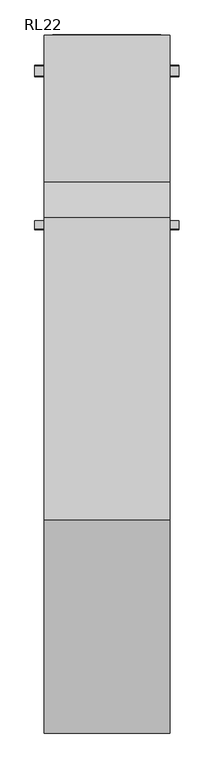
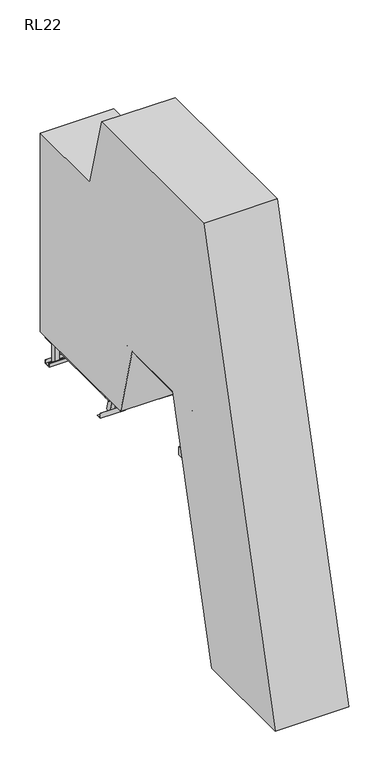
"""IFC4 building model written with IfcOpenShell, lengths in millimetres: proxy geometry, RL22."""

from ifc_helpers import new_model, si_unit, point, frame, frame_2d, origin, place, context, project, spatial, polyline, circle_curve, trimmed, segment, composite_curve, outline, extrude, faceted_brep, source, transform, mapped, element, save


def rl22_656d9d40(model_context):
    return source(origin(), model_context, "Body", "SolidModel", [
        extrude(outline(polyline([(250.0, 1222.8694762), (250.0, 1204.8694762), (-250.0, 1204.8694762), (-250.0, 1222.8694762), (250.0, 1222.8694762)])), frame((0.0, 0.0, 1656.5), z_axis=(0.0, 0.0, 1.0), x_axis=(1.0, 0.0, 0.0)), (0.0, 0.0, 1.0), 18.5),
        extrude(outline(polyline([(300.5, 1409.1194762), (300.5, 1390.6194762), (-300.5, 1390.6194762), (-300.5, 1409.1194762), (300.5, 1409.1194762)])), frame((0.0, 0.0, 1656.5), z_axis=(0.0, 0.0, 1.0), x_axis=(1.0, 0.0, 0.0)), (0.0, 0.0, 1.0), 18.5),
        extrude(outline(polyline([(250.0, 1390.6194762), (250.0, 1222.8694762), (-250.0, 1222.8694762), (-250.0, 1390.6194762), (250.0, 1390.6194762)])), frame((0.0, 0.0, 1656.5), z_axis=(0.0, 0.0, 1.0), x_axis=(1.0, 0.0, 0.0)), (0.0, 0.0, 1.0), 18.5),
        extrude(outline(polyline([(-262.5, 1278.0196058), (-300.5, 1278.0196058), (-300.5, 2309.8694762), (-262.5, 2309.8694762), (-262.5, 1278.0196058)])), frame((0.0, 0.0, 1598.5), z_axis=(0.0, 0.0, 1.0), x_axis=(1.0, 0.0, 0.0)), (0.0, 0.0, 1.0), 58.0),
        extrude(outline(polyline([(300.5, 1278.0196058), (262.5, 1278.0196058), (262.5, 2309.8694762), (300.5, 2309.8694762), (300.5, 1278.0196058)])), frame((0.0, 0.0, 1598.5), z_axis=(0.0, 0.0, 1.0), x_axis=(1.0, 0.0, 0.0)), (0.0, 0.0, 1.0), 58.0),
        extrude(outline(polyline([(338.5, 2138.8694762), (338.5, 2080.8694762), (300.5, 2080.8694762), (300.5, 2138.8694762), (338.5, 2138.8694762)])), frame((0.0, 0.0, 1478.0), z_axis=(0.0, 0.0, 1.0), x_axis=(1.0, 0.0, 0.0)), (0.0, 0.0, 1.0), 190.0),
        extrude(outline(polyline([(-300.5, 2138.8694762), (-300.5, 2080.8694762), (-338.5, 2080.8694762), (-338.5, 2138.8694762), (-300.5, 2138.8694762)])), frame((0.0, 0.0, 1478.0), z_axis=(0.0, 0.0, 1.0), x_axis=(1.0, 0.0, 0.0)), (0.0, 0.0, 1.0), 190.0),
        extrude(outline(polyline([(300.5, 2309.8694762), (300.5, 2291.3694762), (-300.5, 2291.3694762), (-300.5, 2309.8694762), (300.5, 2309.8694762)])), frame((0.0, 0.0, 1656.5), z_axis=(0.0, 0.0, 1.0), x_axis=(1.0, 0.0, 0.0)), (0.0, 0.0, 1.0), 18.5),
        extrude(outline(polyline([(2139.3694762, 1513.0), (2142.3694762, 1513.0), (2142.3694762, 1475.0), (2077.3694762, 1475.0), (2077.3694762, 1513.0), (2080.3694762, 1513.0), (2080.3694762, 1478.0), (2139.3694762, 1478.0), (2139.3694762, 1513.0)])), frame((-400.5, 0.0, 0.0), z_axis=(1.0, 0.0, 0.0), x_axis=(0.0, 1.0, 0.0)), (0.0, 0.0, 1.0), 801.0),
        extrude(outline(polyline([(300.5, 2290.8694762), (300.5, 1409.1194762), (-300.5, 1409.1194762), (-300.5, 2290.8694762), (300.5, 2290.8694762)])), frame((0.0, 0.0, 1656.5), z_axis=(0.0, 0.0, 1.0), x_axis=(1.0, 0.0, 0.0)), (0.0, 0.0, 1.0), 18.5),
        extrude(outline(composite_curve([segment(trimmed(circle_curve(frame_2d((1307.0731956, 1608.5)), 6.0), [point((1313.0731956, 1608.5))], [point((1307.0731956, 1602.5))], False, "CARTESIAN"), True, "CONTINUOUS"), segment(polyline([(1307.0731956, 1602.5), (1258.0196058, 1602.5)]), True, "CONTINUOUS"), segment(trimmed(circle_curve(frame_2d((1258.0196058, 1627.5)), 25.0), [point((1258.0196058, 1602.5))], [point((1258.0196058, 1652.5))], False, "CARTESIAN"), True, "CONTINUOUS"), segment(polyline([(1258.0196058, 1652.5), (1307.0731956, 1652.5)]), True, "CONTINUOUS"), segment(trimmed(circle_curve(frame_2d((1307.0731956, 1646.5)), 6.0), [point((1307.0731956, 1652.5))], [point((1313.0731956, 1646.5))], False, "CARTESIAN"), True, "CONTINUOUS"), segment(polyline([(1313.0731956, 1646.5), (1313.0731956, 1608.5)]), True, "CONTINUOUS")], self_intersect=False)), frame((-306.5, 0.0, 0.0), z_axis=(1.0, 0.0, 0.0), x_axis=(0.0, 1.0, 0.0)), (0.0, 0.0, 1.0), 6.0),
        extrude(outline(composite_curve([segment(trimmed(circle_curve(frame_2d((1307.0731956, 1608.5)), 6.0), [point((1313.0731956, 1608.5))], [point((1307.0731956, 1602.5))], False, "CARTESIAN"), True, "CONTINUOUS"), segment(polyline([(1307.0731956, 1602.5), (1258.0196058, 1602.5)]), True, "CONTINUOUS"), segment(trimmed(circle_curve(frame_2d((1258.0196058, 1627.5)), 25.0), [point((1258.0196058, 1602.5))], [point((1258.0196058, 1652.5))], False, "CARTESIAN"), True, "CONTINUOUS"), segment(polyline([(1258.0196058, 1652.5), (1307.0731956, 1652.5)]), True, "CONTINUOUS"), segment(trimmed(circle_curve(frame_2d((1307.0731956, 1646.5)), 6.0), [point((1307.0731956, 1652.5))], [point((1313.0731956, 1646.5))], False, "CARTESIAN"), True, "CONTINUOUS"), segment(polyline([(1313.0731956, 1646.5), (1313.0731956, 1608.5)]), True, "CONTINUOUS")], self_intersect=False)), frame((300.5, 0.0, 0.0), z_axis=(1.0, 0.0, 0.0), x_axis=(0.0, 1.0, 0.0)), (0.0, 0.0, 1.0), 6.0),
        extrude(outline(polyline([(262.5, 1452.8694762), (262.5, 1394.8694762), (-262.5, 1394.8694762), (-262.5, 1452.8694762), (262.5, 1452.8694762)])), frame((0.0, 0.0, 1618.5), z_axis=(0.0, 0.0, 1.0), x_axis=(1.0, 0.0, 0.0)), (0.0, 0.0, 1.0), 38.0),
        extrude(outline(polyline([(262.5, 1876.8694762), (262.5, 1818.8694762), (-262.5, 1818.8694762), (-262.5, 1876.8694762), (262.5, 1876.8694762)])), frame((0.0, 0.0, 1618.5), z_axis=(0.0, 0.0, 1.0), x_axis=(1.0, 0.0, 0.0)), (0.0, 0.0, 1.0), 38.0),
        extrude(outline(polyline([(262.5, 2299.8694762), (262.5, 2241.8694762), (-262.5, 2241.8694762), (-262.5, 2299.8694762), (262.5, 2299.8694762)])), frame((0.0, 0.0, 1618.5), z_axis=(0.0, 0.0, 1.0), x_axis=(1.0, 0.0, 0.0)), (0.0, 0.0, 1.0), 38.0),
        extrude(outline(composite_curve([segment(polyline([(1126.2592911, 2120.3105291), (1082.792629, 2108.6636721), (1078.3927052, 2125.0844112)]), True, "CONTINUOUS"), segment(trimmed(circle_curve(frame_2d((1103.4832179, 2118.3786672)), 25.9711538), [point((1078.3927052, 2125.0844112))], [point((1121.8593674, 2136.7312682))], False, "CARTESIAN"), True, "CONTINUOUS"), segment(polyline([(1121.8593674, 2136.7312682), (1126.2592911, 2120.3105291)]), True, "CONTINUOUS")], self_intersect=False)), frame((-262.5, 0.0, 0.0), z_axis=(1.0, 0.0, 0.0), x_axis=(0.0, 1.0, 0.0)), (0.0, 0.0, 1.0), 525.0),
        extrude(outline(composite_curve([segment(polyline([(1194.9976706, 1863.7754046), (1151.5310084, 1852.1285475), (1147.1310847, 1868.5492866)]), True, "CONTINUOUS"), segment(trimmed(circle_curve(frame_2d((1172.2215974, 1861.8435426)), 25.9711538), [point((1147.1310847, 1868.5492866))], [point((1190.5977468, 1880.1961436))], False, "CARTESIAN"), True, "CONTINUOUS"), segment(polyline([(1190.5977468, 1880.1961436), (1194.9976706, 1863.7754046)]), True, "CONTINUOUS")], self_intersect=False)), frame((-262.5, 0.0, 0.0), z_axis=(1.0, 0.0, 0.0), x_axis=(0.0, 1.0, 0.0)), (0.0, 0.0, 1.0), 525.0),
        extrude(outline(composite_curve([segment(polyline([(1057.5209117, 2376.8456537), (1014.0542495, 2365.1987967), (1009.6543257, 2381.6195357)]), True, "CONTINUOUS"), segment(trimmed(circle_curve(frame_2d((1034.7448385, 2374.9137918)), 25.9711538), [point((1009.6543257, 2381.6195357))], [point((1053.1209879, 2393.2663928))], False, "CARTESIAN"), True, "CONTINUOUS"), segment(polyline([(1053.1209879, 2393.2663928), (1057.5209117, 2376.8456537)]), True, "CONTINUOUS")], self_intersect=False)), frame((-262.5, 0.0, 0.0), z_axis=(1.0, 0.0, 0.0), x_axis=(0.0, 1.0, 0.0)), (0.0, 0.0, 1.0), 525.0),
        extrude(outline(composite_curve([segment(polyline([(1263.7360501, 1607.24028), (1220.2693879, 1595.5934229), (1215.8694641, 1612.014162)]), True, "CONTINUOUS"), segment(trimmed(circle_curve(frame_2d((1240.9599769, 1605.308418)), 25.9711538), [point((1215.8694641, 1612.014162))], [point((1259.3361263, 1623.661019))], False, "CARTESIAN"), True, "CONTINUOUS"), segment(polyline([(1259.3361263, 1623.661019), (1263.7360501, 1607.24028)]), True, "CONTINUOUS")], self_intersect=False)), frame((-262.5, 0.0, 0.0), z_axis=(1.0, 0.0, 0.0), x_axis=(0.0, 1.0, 0.0)), (0.0, 0.0, 1.0), 525.0),
        extrude(outline(polyline([(-38.0, 0.0), (0.0, 0.0), (0.0, -58.0), (-38.0, -58.0), (-38.0, 0.0)])), frame((-262.5, 1301.0728533, 1493.0115046), z_axis=(0.0, -0.2588190451025236, 0.9659258262890675), x_axis=(1.0, 0.0, 0.0)), (0.0, 0.0, 1.0), 1996.7541118),
        extrude(outline(polyline([(-38.0, 0.0), (0.0, 0.0), (0.0, -58.0), (-38.0, -58.0), (-38.0, 0.0)])), frame((300.5, 1301.0728533, 1493.0115046), z_axis=(0.0, -0.2588190451025236, 0.9659258262890675), x_axis=(1.0, 0.0, 0.0)), (0.0, 0.0, 1.0), 1996.7541118),
        extrude(outline(composite_curve([segment(polyline([(962.4694194, 2333.8687928), (962.4694194, 2371.8687928)]), True, "CONTINUOUS"), segment(trimmed(circle_curve(frame_2d((968.4694194, 2371.8687928)), 6.0), [point((962.4694194, 2371.8687928))], [point((968.4694194, 2377.8687928))], False, "CARTESIAN"), True, "CONTINUOUS"), segment(polyline([(968.4694194, 2377.8687928), (1017.5230092, 2377.8687928)]), True, "CONTINUOUS"), segment(trimmed(circle_curve(frame_2d((1017.5230092, 2352.8687928)), 25.0), [point((1017.5230092, 2377.8687928))], [point((1017.5230092, 2327.8687928))], False, "CARTESIAN"), True, "CONTINUOUS"), segment(polyline([(1017.5230092, 2327.8687928), (968.4694194, 2327.8687928)]), True, "CONTINUOUS"), segment(trimmed(circle_curve(frame_2d((968.4694194, 2333.8687928)), 6.0), [point((968.4694194, 2327.8687928))], [point((962.4694194, 2333.8687928))], False, "CARTESIAN"), True, "CONTINUOUS")], self_intersect=False)), frame((-306.0, 0.0, 0.0), z_axis=(1.0, 0.0, 0.0), x_axis=(0.0, 1.0, 0.0)), (0.0, 0.0, 1.0), 6.0),
        extrude(outline(composite_curve([segment(trimmed(circle_curve(frame_2d((968.4694194, 2371.8687928)), 6.0), [point((962.4694194, 2371.8687928))], [point((968.4694194, 2377.8687928))], False, "CARTESIAN"), True, "CONTINUOUS"), segment(polyline([(968.4694194, 2377.8687928), (1017.5230092, 2377.8687928)]), True, "CONTINUOUS"), segment(trimmed(circle_curve(frame_2d((1017.5230092, 2352.8687928)), 25.0), [point((1017.5230092, 2377.8687928))], [point((1017.5230092, 2327.8687928))], False, "CARTESIAN"), True, "CONTINUOUS"), segment(polyline([(1017.5230092, 2327.8687928), (968.4694194, 2327.8687928)]), True, "CONTINUOUS"), segment(trimmed(circle_curve(frame_2d((968.4694194, 2333.8687928)), 6.0), [point((968.4694194, 2327.8687928))], [point((962.4694194, 2333.8687928))], False, "CARTESIAN"), True, "CONTINUOUS"), segment(polyline([(962.4694194, 2333.8687928), (962.4694194, 2371.8687928)]), True, "CONTINUOUS")], self_intersect=False)), frame((300.0, 0.0, 0.0), z_axis=(1.0, 0.0, 0.0), x_axis=(0.0, 1.0, 0.0)), (0.0, 0.0, 1.0), 6.0),
        extrude(outline(composite_curve([segment(trimmed(circle_curve(frame_2d((-102.0, 2352.8687928)), 25.0), [point((-102.0, 2327.8687928))], [point((-102.0, 2377.8687928))], False, "CARTESIAN"), True, "CONTINUOUS"), segment(polyline([(-102.0, 2377.8687928), (-52.9464102, 2377.8687928)]), True, "CONTINUOUS"), segment(trimmed(circle_curve(frame_2d((-52.9464102, 2371.8687928)), 6.0), [point((-52.9464102, 2377.8687928))], [point((-46.9464102, 2371.8687928))], False, "CARTESIAN"), True, "CONTINUOUS"), segment(polyline([(-46.9464102, 2371.8687928), (-46.9464102, 2333.8687928)]), True, "CONTINUOUS"), segment(trimmed(circle_curve(frame_2d((-52.9464102, 2333.8687928)), 6.0), [point((-46.9464102, 2333.8687928))], [point((-52.9464102, 2327.8687928))], False, "CARTESIAN"), True, "CONTINUOUS"), segment(polyline([(-52.9464102, 2327.8687928), (-102.0, 2327.8687928)]), True, "CONTINUOUS")], self_intersect=False)), frame((-306.0, 0.0, 0.0), z_axis=(1.0, 0.0, 0.0), x_axis=(0.0, 1.0, 0.0)), (0.0, 0.0, 1.0), 6.0),
        extrude(outline(composite_curve([segment(trimmed(circle_curve(frame_2d((-102.0, 2352.8687928)), 25.0), [point((-102.0, 2327.8687928))], [point((-102.0, 2377.8687928))], False, "CARTESIAN"), True, "CONTINUOUS"), segment(polyline([(-102.0, 2377.8687928), (-52.9464102, 2377.8687928)]), True, "CONTINUOUS"), segment(trimmed(circle_curve(frame_2d((-52.9464102, 2371.8687928)), 6.0), [point((-52.9464102, 2377.8687928))], [point((-46.9464102, 2371.8687928))], False, "CARTESIAN"), True, "CONTINUOUS"), segment(polyline([(-46.9464102, 2371.8687928), (-46.9464102, 2333.8687928)]), True, "CONTINUOUS"), segment(trimmed(circle_curve(frame_2d((-52.9464102, 2333.8687928)), 6.0), [point((-46.9464102, 2333.8687928))], [point((-52.9464102, 2327.8687928))], False, "CARTESIAN"), True, "CONTINUOUS"), segment(polyline([(-52.9464102, 2327.8687928), (-102.0, 2327.8687928)]), True, "CONTINUOUS")], self_intersect=False)), frame((300.0, 0.0, 0.0), z_axis=(1.0, 0.0, 0.0), x_axis=(0.0, 1.0, 0.0)), (0.0, 0.0, 1.0), 6.0),
        extrude(outline(polyline([(-300.0, -52.0), (-300.0, -33.6), (300.0, -33.6), (300.0, -52.0), (-300.0, -52.0)])), frame((0.0, 0.0, 2381.5), z_axis=(0.0, 0.0, 1.0), x_axis=(1.0, 0.0, 0.0)), (0.0, 0.0, 1.0), 18.5),
        extrude(outline(polyline([(-300.0, 904.1290032), (-300.0, 922.5290032), (300.0, 922.5290032), (300.0, 904.1290032), (-300.0, 904.1290032)])), frame((0.0, 0.0, 2381.5), z_axis=(0.0, 0.0, 1.0), x_axis=(1.0, 0.0, 0.0)), (0.0, 0.0, 1.0), 18.5),
        extrude(outline(polyline([(1279.4555434, 1478.0), (1279.4555434, 1475.0), (1229.4555434, 1475.0), (1229.4555434, 1525.0), (1232.4555434, 1525.0), (1232.4555434, 1478.0), (1279.4555434, 1478.0)])), frame((-400.5, 0.0, 0.0), z_axis=(1.0, 0.0, 0.0), x_axis=(0.0, 1.0, 0.0)), (0.0, 0.0, 1.0), 238.0),
        extrude(outline(polyline([(1279.4555434, 1478.0), (1279.4555434, 1475.0), (1229.4555434, 1475.0), (1229.4555434, 1525.0), (1232.4555434, 1525.0), (1232.4555434, 1478.0), (1279.4555434, 1478.0)])), frame((162.5, 0.0, 0.0), z_axis=(1.0, 0.0, 0.0), x_axis=(0.0, 1.0, 0.0)), (0.0, 0.0, 1.0), 238.0),
        extrude(outline(polyline([(865.9025997, 2892.9942094), (865.9025997, 2835.9942094), (34.8242963, 2835.9942094), (50.0974003, 2892.9942094), (865.9025997, 2892.9942094)])), frame((262.0, 0.0, 0.0), z_axis=(1.0, 0.0, 0.0), x_axis=(0.0, 1.0, 0.0)), (0.0, 0.0, 1.0), 38.0),
        extrude(outline(polyline([(730.0508076, 3400.0), (730.0508076, 3343.0), (170.6760885, 3343.0), (185.9491924, 3400.0), (730.0508076, 3400.0)])), frame((262.0, 0.0, 0.0), z_axis=(1.0, 0.0, 0.0), x_axis=(0.0, 1.0, 0.0)), (0.0, 0.0, 1.0), 38.0),
        extrude(outline(polyline([(730.0508076, 3400.0), (730.0508076, 3343.0), (170.6760885, 3343.0), (185.9491924, 3400.0), (730.0508076, 3400.0)])), frame((-300.0, 0.0, 0.0), z_axis=(1.0, 0.0, 0.0), x_axis=(0.0, 1.0, 0.0)), (0.0, 0.0, 1.0), 38.0),
        extrude(outline(polyline([(865.9025997, 2892.9942094), (865.9025997, 2835.9942094), (34.8242963, 2835.9942094), (50.0974003, 2892.9942094), (865.9025997, 2892.9942094)])), frame((-300.0, 0.0, 0.0), z_axis=(1.0, 0.0, 0.0), x_axis=(0.0, 1.0, 0.0)), (0.0, 0.0, 1.0), 38.0),
        extrude(outline(polyline([(-300.0, 904.1290032), (300.0, 904.1290032), (300.0, -33.6), (-300.0, -33.6), (-300.0, 904.1290032)])), frame((0.0, 0.0, 2381.5), z_axis=(0.0, 0.0, 1.0), x_axis=(1.0, 0.0, 0.0)), (0.0, 0.0, 1.0), 18.5),
        extrude(outline(polyline([(262.0, 997.5230092), (300.0, 997.5230092), (300.0, -82.0), (-300.0, -82.0), (-300.0, 997.5230092), (-262.0, 997.5230092), (-262.0, -44.0), (262.0, -44.0), (262.0, 997.5230092)])), frame((0.0, 0.0, 2324.2375855), z_axis=(0.0, 0.0, 1.0), x_axis=(1.0, 0.0, 0.0)), (0.0, 0.0, 1.0), 57.2624145),
        extrude(outline(polyline([(-262.0, 851.7615046), (-262.0, 909.7615046), (262.0, 909.7615046), (262.0, 851.7615046), (-262.0, 851.7615046)])), frame((0.0, 0.0, 2343.5), z_axis=(0.0, 0.0, 1.0), x_axis=(1.0, 0.0, 0.0)), (0.0, 0.0, 1.0), 38.0),
        extrude(outline(polyline([(-262.0, 428.7615046), (-262.0, 486.7615046), (262.0, 486.7615046), (262.0, 428.7615046), (-262.0, 428.7615046)])), frame((0.0, 0.0, 2343.5), z_axis=(0.0, 0.0, 1.0), x_axis=(1.0, 0.0, 0.0)), (0.0, 0.0, 1.0), 38.0),
        extrude(outline(composite_curve([segment(polyline([(-217.1779271, 2096.269982), (-212.7780033, 2112.6907211)]), True, "CONTINUOUS"), segment(trimmed(circle_curve(frame_2d((-194.4018539, 2094.33812)), 25.9711538), [point((-212.7780033, 2112.6907211))], [point((-169.3113411, 2101.043864))], False, "CARTESIAN"), True, "CONTINUOUS"), segment(polyline([(-169.3113411, 2101.043864), (-173.7112649, 2084.623125), (-217.1779271, 2096.269982)]), True, "CONTINUOUS")], self_intersect=False)), frame((-262.0, 0.0, 0.0), z_axis=(1.0, 0.0, 0.0), x_axis=(0.0, 1.0, 0.0)), (0.0, 0.0, 1.0), 524.0),
        extrude(outline(composite_curve([segment(polyline([(-292.3579518, 1815.6943103), (-287.958028, 1832.1150493)]), True, "CONTINUOUS"), segment(trimmed(circle_curve(frame_2d((-269.5818785, 1813.7624483)), 25.9711538), [point((-287.958028, 1832.1150493))], [point((-244.4913658, 1820.4681923))], False, "CARTESIAN"), True, "CONTINUOUS"), segment(polyline([(-244.4913658, 1820.4681923), (-248.8912896, 1804.0474533), (-292.3579518, 1815.6943103)]), True, "CONTINUOUS")], self_intersect=False)), frame((-262.0, 0.0, 0.0), z_axis=(1.0, 0.0, 0.0), x_axis=(0.0, 1.0, 0.0)), (0.0, 0.0, 1.0), 524.0),
        extrude(outline(composite_curve([segment(polyline([(-367.5379764, 1535.1186386), (-363.1380526, 1551.5393776)]), True, "CONTINUOUS"), segment(trimmed(circle_curve(frame_2d((-344.7619032, 1533.1867766)), 25.9711538), [point((-363.1380526, 1551.5393776))], [point((-319.6713905, 1539.8925206))], False, "CARTESIAN"), True, "CONTINUOUS"), segment(polyline([(-319.6713905, 1539.8925206), (-324.0713142, 1523.4717815), (-367.5379764, 1535.1186386)]), True, "CONTINUOUS")], self_intersect=False)), frame((-262.0, 0.0, 0.0), z_axis=(1.0, 0.0, 0.0), x_axis=(0.0, 1.0, 0.0)), (0.0, 0.0, 1.0), 524.0),
        extrude(outline(composite_curve([segment(polyline([(-442.7180011, 1254.5429669), (-438.3180773, 1270.9637059)]), True, "CONTINUOUS"), segment(trimmed(circle_curve(frame_2d((-419.9419278, 1252.6111049)), 25.9711538), [point((-438.3180773, 1270.9637059))], [point((-394.8514151, 1259.3168489))], False, "CARTESIAN"), True, "CONTINUOUS"), segment(polyline([(-394.8514151, 1259.3168489), (-399.2513389, 1242.8961098), (-442.7180011, 1254.5429669)]), True, "CONTINUOUS")], self_intersect=False)), frame((-262.0, 0.0, 0.0), z_axis=(1.0, 0.0, 0.0), x_axis=(0.0, 1.0, 0.0)), (0.0, 0.0, 1.0), 524.0),
        extrude(outline(composite_curve([segment(polyline([(-517.8980257, 973.9672951), (-513.4981019, 990.3880342)]), True, "CONTINUOUS"), segment(trimmed(circle_curve(frame_2d((-495.1219525, 972.0354332)), 25.9711538), [point((-513.4981019, 990.3880342))], [point((-470.0314398, 978.7411772))], False, "CARTESIAN"), True, "CONTINUOUS"), segment(polyline([(-470.0314398, 978.7411772), (-474.4313635, 962.3204381), (-517.8980257, 973.9672951)]), True, "CONTINUOUS")], self_intersect=False)), frame((-262.0, 0.0, 0.0), z_axis=(1.0, 0.0, 0.0), x_axis=(0.0, 1.0, 0.0)), (0.0, 0.0, 1.0), 524.0),
        extrude(outline(composite_curve([segment(polyline([(-593.0780504, 693.3916234), (-588.6781266, 709.8123625)]), True, "CONTINUOUS"), segment(trimmed(circle_curve(frame_2d((-570.3019772, 691.4597614)), 25.9711538), [point((-588.6781266, 709.8123625))], [point((-545.2114644, 698.1655054))], False, "CARTESIAN"), True, "CONTINUOUS"), segment(polyline([(-545.2114644, 698.1655054), (-549.6113882, 681.7447664), (-593.0780504, 693.3916234)]), True, "CONTINUOUS")], self_intersect=False)), frame((-262.0, 0.0, 0.0), z_axis=(1.0, 0.0, 0.0), x_axis=(0.0, 1.0, 0.0)), (0.0, 0.0, 1.0), 524.0),
        extrude(outline(composite_curve([segment(polyline([(-668.258075, 412.8159517), (-663.8581512, 429.2366907)]), True, "CONTINUOUS"), segment(trimmed(circle_curve(frame_2d((-645.4820018, 410.8840897)), 25.9711538), [point((-663.8581512, 429.2366907))], [point((-620.3914891, 417.5898337))], False, "CARTESIAN"), True, "CONTINUOUS"), segment(polyline([(-620.3914891, 417.5898337), (-624.7914128, 401.1690947), (-668.258075, 412.8159517)]), True, "CONTINUOUS")], self_intersect=False)), frame((-262.0, 0.0, 0.0), z_axis=(1.0, 0.0, 0.0), x_axis=(0.0, 1.0, 0.0)), (0.0, 0.0, 1.0), 524.0),
        extrude(outline(composite_curve([segment(polyline([(-141.9979024, 2376.8456537), (-137.5979787, 2393.2663928)]), True, "CONTINUOUS"), segment(trimmed(circle_curve(frame_2d((-119.2218292, 2374.9137918)), 25.9711538), [point((-137.5979787, 2393.2663928))], [point((-94.1313165, 2381.6195357))], False, "CARTESIAN"), True, "CONTINUOUS"), segment(polyline([(-94.1313165, 2381.6195357), (-98.5312403, 2365.1987967), (-141.9979024, 2376.8456537)]), True, "CONTINUOUS")], self_intersect=False)), frame((-262.0, 0.0, 0.0), z_axis=(1.0, 0.0, 0.0), x_axis=(0.0, 1.0, 0.0)), (0.0, 0.0, 1.0), 524.0),
        extrude(outline(composite_curve([segment(polyline([(-743.4380997, 132.24028), (-739.0381759, 148.661019)]), True, "CONTINUOUS"), segment(trimmed(circle_curve(frame_2d((-720.6620265, 130.308418)), 25.9711538), [point((-739.0381759, 148.661019))], [point((-695.5715137, 137.014162))], False, "CARTESIAN"), True, "CONTINUOUS"), segment(polyline([(-695.5715137, 137.014162), (-699.9714375, 120.5934229), (-743.4380997, 132.24028)]), True, "CONTINUOUS")], self_intersect=False)), frame((-262.0, 0.0, 0.0), z_axis=(1.0, 0.0, 0.0), x_axis=(0.0, 1.0, 0.0)), (0.0, 0.0, 1.0), 524.0),
        extrude(outline(polyline([(-38.0, 0.0), (0.0, 0.0), (0.0, -58.0000001), (-38.0, -58.0000001), (-38.0, 0.0)])), frame((262.0, -780.774903, 18.0115046), z_axis=(0.0, 0.25881904510250875, 0.9659258262890715), x_axis=(-1.0, 0.0, 0.0)), (0.0, 0.0, 1.0), 3523.7864779),
        extrude(outline(polyline([(-38.0, 0.0), (0.0, 0.0), (0.0, -58.0000001), (-38.0, -58.0000001), (-38.0, 0.0)])), frame((-300.0, -780.774903, 18.0115046), z_axis=(0.0, 0.25881904510250875, 0.9659258262890715), x_axis=(-1.0, 0.0, 0.0)), (0.0, 0.0, 1.0), 3523.7864779),
        faceted_brep([(-303.5, -975.5780618, 0.0), (-250.5, -975.5780618, 0.0), (-250.5, -975.5780618, 3.0), (-300.5, -975.5780618, 3.0), (-303.5, -975.5780618, 3.0), (-300.5, -615.5780618, 3.0), (-250.5, -615.5780618, 3.0), (-250.5, -615.5780618, 0.0), (-303.5, -615.5780618, 0.0), (-303.5, -615.5780618, 3.0), (-300.5, -928.5780618, 50.0), (-300.5, -662.5780618, 50.0), (-303.5, -662.5780618, 50.0), (-303.5, -928.5780618, 50.0)], [[[0, 1, 2, 3, 4]], [[5, 6, 7, 8, 9]], [[10, 11, 12, 13]], [[8, 0, 4, 13, 12, 9]], [[1, 0, 8, 7]], [[2, 1, 7, 6]], [[3, 2, 6, 5]], [[3, 5, 11, 10]], [[5, 9, 12, 11]], [[4, 3, 10, 13]]]),
        faceted_brep([(300.5, -975.5780618, 3.0), (250.5, -975.5780618, 3.0), (250.5, -975.5780618, 0.0), (303.5, -975.5780618, 0.0), (303.5, -975.5780618, 3.0), (303.5, -615.5780618, 0.0), (250.5, -615.5780618, 0.0), (250.5, -615.5780618, 3.0), (300.5, -615.5780618, 3.0), (303.5, -615.5780618, 3.0), (303.5, -662.5780618, 50.0), (303.5, -928.5780618, 50.0), (300.5, -662.5780618, 50.0), (300.5, -928.5780618, 50.0)], [[[0, 1, 2, 3, 4]], [[5, 6, 7, 8, 9]], [[1, 0, 8, 7]], [[2, 1, 7, 6]], [[3, 2, 6, 5]], [[3, 5, 9, 10, 11, 4]], [[11, 10, 12, 13]], [[8, 0, 13, 12]], [[9, 8, 12, 10]], [[0, 4, 11, 13]]]),
        extrude(outline(polyline([(306.5, 100.0), (306.5, -272.7695155), (300.5, -272.7695155), (300.5, 95.0), (-300.5, 95.0), (-300.5, -272.7695155), (-306.5, -272.7695155), (-306.5, 100.0), (306.5, 100.0)])), frame((0.0, 0.0, 1760.0), z_axis=(0.0, 0.0, 1.0), x_axis=(1.0, 0.0, 0.0)), (0.0, 0.0, 1.0), 80.0),
        extrude(outline(polyline([(-518.4998165, 0.0), (-1562.5351971, 0.0), (-383.5587504, 4400.0), (1298.6047689, 4400.0), (1492.8679334, 3675.0), (2309.3924855, 3675.0), (2309.3924855, 1675.0), (985.2079284, 1675.0), (790.9447639, 2400.0), (124.5782453, 2400.0), (-518.4998165, 0.0)])), frame((-350.0, 0.0, 0.0), z_axis=(1.0, 0.0, 0.0), x_axis=(0.0, 1.0, 0.0)), (0.0, 0.0, 1.0), 700.0),
    ])


if __name__ == "__main__":
    model = new_model("IFC4")
    model_context = context("Model", 3, world=origin())
    ifc_project = project(units=[si_unit("LENGTHUNIT", "METRE", prefix="MILLI")], contexts=[model_context])
    site = spatial("IfcSite", under=ifc_project)
    building = spatial("IfcBuilding", under=site)
    placement = place(None, origin())
    rl22_shape = rl22_656d9d40(model_context)
    element("IfcBuildingElementProxy", 1, Name="RL22", ObjectType="RL22", at=placement, inside=building, context=model_context, shape_type="MappedRepresentation", body=[
        mapped(rl22_shape, transform((0.0, 0.0, 0.0), x_axis=(1.0, 0.0, 0.0), y_axis=(0.0, 1.0, 0.0), z_axis=(0.0, 0.0, 1.0))),
    ])
    save(model, "model.ifc")
